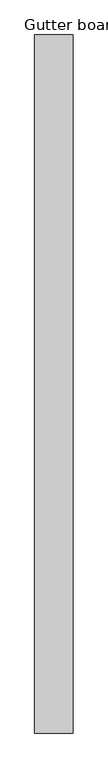
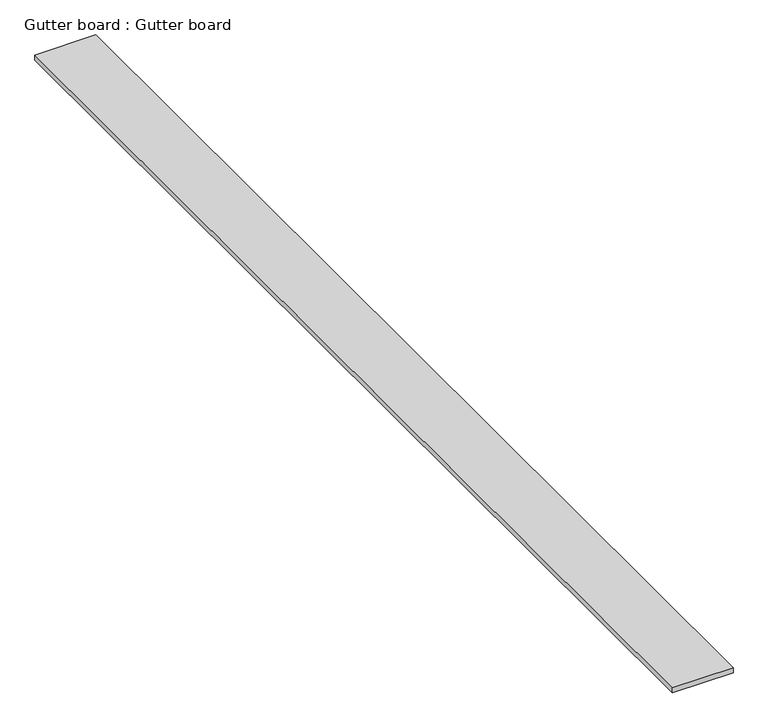
"""IFC4 building model written with IfcOpenShell, lengths in millimetres: proxy geometry, Gutter board : Gutter board."""

from ifc_helpers import new_model, si_unit, frame, origin, place, context, project, spatial, polyline, outline, extrude, source, transform, mapped, element, save


def gutter_board_gutter_board_1280c753(model_context):
    return source(origin(), model_context, "Body", "SweptSolid", [
        extrude(outline(polyline([(-11599.3841468, -1338.3711554), (-11769.3841468, -1338.3711554), (-11769.3841468, 1751.6288446), (-11599.3841468, 1751.6288446), (-11599.3841468, -1338.3711554)])), frame((0.0, 0.0, 3784.2452806), z_axis=(0.0, 0.0, 1.0), x_axis=(1.0, 0.0, 0.0)), (0.0, 0.0, 1.0), 15.0),
    ])


if __name__ == "__main__":
    model = new_model("IFC4")
    model_context = context("Model", 3, world=origin())
    ifc_project = project(units=[si_unit("LENGTHUNIT", "METRE", prefix="MILLI")], contexts=[model_context])
    site = spatial("IfcSite", under=ifc_project)
    building = spatial("IfcBuilding", under=site)
    placement = place(None, origin())
    gutter_board_gutter_board_shape = gutter_board_gutter_board_1280c753(model_context)
    element("IfcBuildingElementProxy", 1, Name="Gutter board : Gutter board", ObjectType="Gutter board : Gutter board", at=placement, inside=building, context=model_context, shape_type="MappedRepresentation", body=[
        mapped(gutter_board_gutter_board_shape, transform((0.0, 0.0, 0.0), x_axis=(1.0, 0.0, 0.0), y_axis=(0.0, 1.0, 0.0), z_axis=(0.0, 0.0, 1.0))),
    ])
    save(model, "model.ifc")
